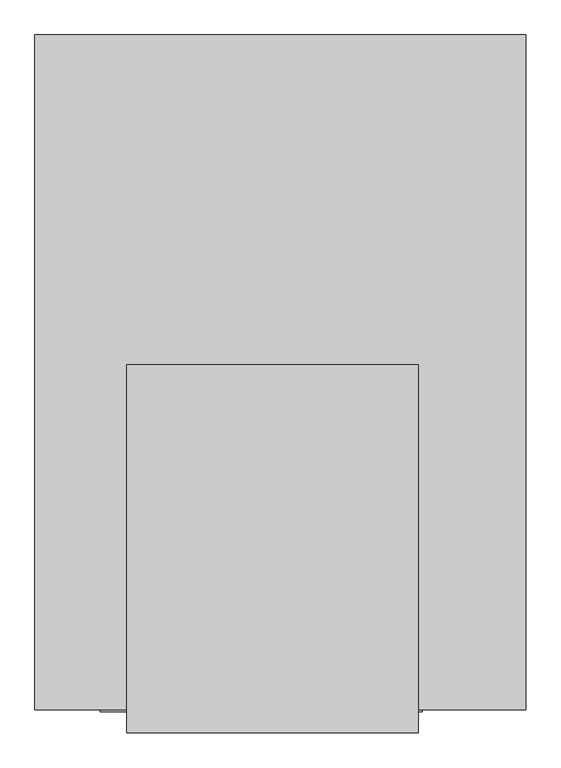
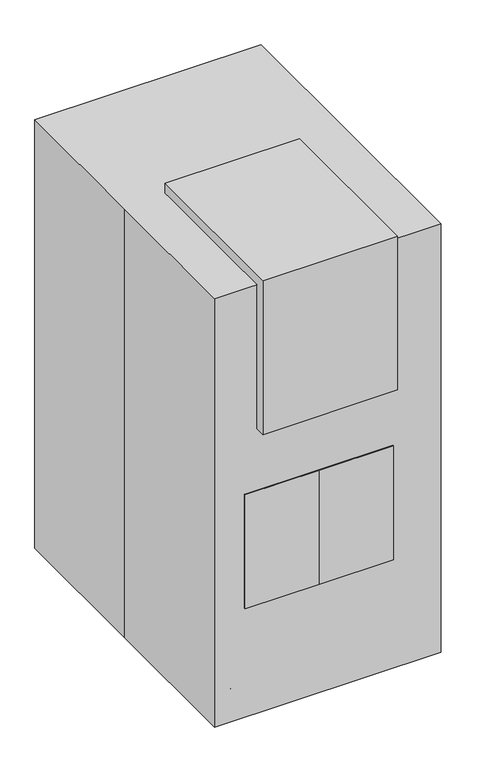
"""IFC4 building model written with IfcOpenShell, lengths in millimetres: proxy geometry."""

import ifcopenshell
import ifcopenshell.guid

model = None  # the IFC model being written
_history = None  # IfcOwnerHistory: only IFC2X3 demands one
_inside = {}  # id of a spatial element -> (the spatial element, [elements in it])
_under = {}  # id of a project, library or spatial element -> (it, [spatial elements below it])
_declared = {}  # id of a project -> (the project, [libraries it declares])
_typed = {}  # id of a type object -> (the type object, [elements of that type])
_made_of = {}  # id of a material, layer set ... -> (it, [elements and type objects made of it])


def new_model(schema):
    """Start an empty IFC model of exactly this schema.

    Asked for "IFC4X3", IfcOpenShell would pick the latest addendum, in which some entities
    have other attributes; the version numbers below select the first issue.
    IFC2X3 requires an IfcOwnerHistory on every rooted entity: one is made here for all.
    """
    global model, _history
    if schema == "IFC4X3":
        model = ifcopenshell.file(schema_version=(4, 3, 0, 0))
    else:
        model = ifcopenshell.file(schema=schema)
    _inside.clear()
    _under.clear()
    _declared.clear()
    _typed.clear()
    _made_of.clear()
    _history = None
    if model.schema == "IFC2X3":
        org = make("IfcOrganization", Name="unknown")
        user = make(
            "IfcPersonAndOrganization",
            ThePerson=make("IfcPerson", FamilyName="unknown"),
            TheOrganization=org,
        )
        app = make(
            "IfcApplication",
            ApplicationDeveloper=org,
            Version="unknown",
            ApplicationFullName="unknown",
            ApplicationIdentifier="unknown",
        )
        _history = make(
            "IfcOwnerHistory",
            OwningUser=user,
            OwningApplication=app,
            ChangeAction="ADDED",
            CreationDate=0,
        )
    return model


def make(cls, **values):
    """One entity of the class cls with the attributes given. An attribute that is None is left unset."""
    return model.create_entity(
        cls, **{name: value for name, value in values.items() if value is not None}
    )


def rooted(cls, **values):
    """An entity with a GlobalId (a new one), such as an element, a storey or a relation."""
    return make(cls, GlobalId=ifcopenshell.guid.new(), OwnerHistory=_history, **values)


def si_unit(unit_type, name, prefix=None):
    """IfcSIUnit, for example si_unit("LENGTHUNIT", "METRE", prefix="MILLI")."""
    return make("IfcSIUnit", UnitType=unit_type, Prefix=prefix, Name=name)


def assignment(units):
    """IfcUnitAssignment: the units of a project."""
    return None if units is None else make("IfcUnitAssignment", Units=units)


def point(xyz):
    """IfcCartesianPoint."""
    return None if xyz is None else make("IfcCartesianPoint", Coordinates=xyz)


def direction(xyz):
    """IfcDirection."""
    return None if xyz is None else make("IfcDirection", DirectionRatios=xyz)


def frame(location, z_axis=None, x_axis=None):
    """IfcAxis2Placement3D, a coordinate frame: its origin and axes. An axis left out is left unset."""
    return make(
        "IfcAxis2Placement3D",
        Location=point(location),
        Axis=direction(z_axis),
        RefDirection=direction(x_axis),
    )


def frame_2d(location, x_axis=None):
    """IfcAxis2Placement2D, a coordinate frame in the plane: its origin and x axis."""
    return make(
        "IfcAxis2Placement2D", Location=point(location), RefDirection=direction(x_axis)
    )


def origin():
    """The frame at (0, 0, 0) with its axes left unset."""
    return frame((0.0, 0.0, 0.0))


def origin_with_axes():
    """The frame at (0, 0, 0) with the z axis (0, 0, 1) and the x axis (1, 0, 0) written out."""
    return frame((0.0, 0.0, 0.0), z_axis=(0.0, 0.0, 1.0), x_axis=(1.0, 0.0, 0.0))


def place(relative_to, where):
    """IfcLocalPlacement: puts the frame where relative to a parent placement (None: the world)."""
    return make(
        "IfcLocalPlacement", PlacementRelTo=relative_to, RelativePlacement=where
    )


def context(
    kind, dimensions, precision=None, world=None, true_north=None, identifier=None
):
    """IfcGeometricRepresentationContext, for example the 3D "Model" context."""
    return make(
        "IfcGeometricRepresentationContext",
        ContextIdentifier=identifier,
        ContextType=kind,
        CoordinateSpaceDimension=dimensions,
        Precision=precision,
        WorldCoordinateSystem=world,
        TrueNorth=true_north,
    )


def project(units=None, contexts=None):
    """IfcProject with its units and contexts."""
    return rooted(
        "IfcProject",
        Name="project",
        RepresentationContexts=contexts,
        UnitsInContext=assignment(units),
    )


def spatial(cls, under=None, at=None, **own):
    """A site, building, storey or space (cls), placed at a placement, below another one or the project."""
    s = rooted(cls, ObjectPlacement=at, **own)
    if under is not None:
        _under.setdefault(under.id(), (under, []))[1].append(s)
    return s


def polyline(points):
    """IfcPolyline through the points."""
    return make("IfcPolyline", Points=[point(p) for p in points])


def circle_curve(where, radius):
    """IfcCircle in the frame where."""
    return make("IfcCircle", Position=where, Radius=radius)


def trimmed(basis, trim1, trim2, sense, master):
    """IfcTrimmedCurve: the piece of a basis curve between two trims."""
    return make(
        "IfcTrimmedCurve",
        BasisCurve=basis,
        Trim1=trim1,
        Trim2=trim2,
        SenseAgreement=sense,
        MasterRepresentation=master,
    )


def segment(curve, same_sense, transition):
    """IfcCompositeCurveSegment."""
    return make(
        "IfcCompositeCurveSegment",
        Transition=transition,
        SameSense=same_sense,
        ParentCurve=curve,
    )


def composite_curve(segments, self_intersect=None):
    """IfcCompositeCurve: segments joined end to end."""
    return make("IfcCompositeCurve", Segments=segments, SelfIntersect=self_intersect)


def outline(outer, holes=None, kind="AREA"):
    """IfcArbitraryClosedProfileDef: a profile drawn as a closed curve; with holes, ...WithVoids."""
    if holes is None:
        return make("IfcArbitraryClosedProfileDef", ProfileType=kind, OuterCurve=outer)
    return make(
        "IfcArbitraryProfileDefWithVoids",
        ProfileType=kind,
        OuterCurve=outer,
        InnerCurves=holes,
    )


def extrude(swept, where, along, depth):
    """IfcExtrudedAreaSolid: the profile swept, set in the frame where, extruded along a direction by depth."""
    return make(
        "IfcExtrudedAreaSolid",
        SweptArea=swept,
        Position=where,
        ExtrudedDirection=direction(along),
        Depth=depth,
    )


def faces_of(points, faces, orient=None, outer=None):
    """IfcFace entities. A face is a list of loops; a loop is a list of indices into points, from 0.

    orient and outer hold one flag for each loop. By default every Orientation is true, the
    first loop of a face is its IfcFaceOuterBound and the others are IfcFaceBound.
    """
    made = []
    for i, loops in enumerate(faces):
        bounds = []
        for j, loop in enumerate(loops):
            is_outer = j == 0 if outer is None else outer[i][j]
            bounds.append(
                make(
                    "IfcFaceOuterBound" if is_outer else "IfcFaceBound",
                    Bound=make("IfcPolyLoop", Polygon=[points[k] for k in loop]),
                    Orientation=True if orient is None else orient[i][j],
                )
            )
        made.append(make("IfcFace", Bounds=bounds))
    return made


def faceted_brep(points, faces, orient=None, outer=None, voids=None):
    """IfcFacetedBrep: a solid bounded by flat faces; with voids (closed shells), ...WithVoids."""
    shared = [point(p) for p in points]
    hull = make("IfcClosedShell", CfsFaces=faces_of(shared, faces, orient, outer))
    if voids is None:
        return make("IfcFacetedBrep", Outer=hull)
    return make(
        "IfcFacetedBrepWithVoids",
        Outer=hull,
        Voids=[
            make(cls, CfsFaces=faces_of(shared, fs, o, b)) for cls, fs, o, b in voids
        ],
    )


def shape(context_of_items, identifier, shape_type, items):
    """IfcShapeRepresentation: the items that make up one representation, for example the "Body"."""
    return make(
        "IfcShapeRepresentation",
        ContextOfItems=context_of_items,
        RepresentationIdentifier=identifier,
        RepresentationType=shape_type,
        Items=items,
    )


def source(mapping_origin, context_of_items, identifier, shape_type, items):
    """IfcRepresentationMap: a shape defined once, which mapped items show again and again."""
    return make(
        "IfcRepresentationMap",
        MappingOrigin=mapping_origin,
        MappedRepresentation=shape(context_of_items, identifier, shape_type, items),
    )


def transform(
    local_origin,
    x_axis=None,
    y_axis=None,
    z_axis=None,
    scale=None,
    scale2=None,
    scale3=None,
    uniform=True,
):
    """IfcCartesianTransformationOperator3D, or its non-uniform kind. x_axis, y_axis, z_axis: its Axis1, 2, 3."""
    if uniform:
        return make(
            "IfcCartesianTransformationOperator3D",
            Axis1=direction(x_axis),
            Axis2=direction(y_axis),
            LocalOrigin=point(local_origin),
            Scale=scale,
            Axis3=direction(z_axis),
        )
    return make(
        "IfcCartesianTransformationOperator3DnonUniform",
        Axis1=direction(x_axis),
        Axis2=direction(y_axis),
        LocalOrigin=point(local_origin),
        Scale=scale,
        Axis3=direction(z_axis),
        Scale2=scale2,
        Scale3=scale3,
    )


def mapped(mapping_source, mapping_target):
    """IfcMappedItem: shows the shape of a source again, moved by a transform."""
    return make(
        "IfcMappedItem", MappingSource=mapping_source, MappingTarget=mapping_target
    )


def made_of(thing, what):
    """Note that an element or type object is made of a material, layer set ...; save() writes the relation."""
    if what is not None:
        _made_of.setdefault(what.id(), (what, []))[1].append(thing)
    return thing


def element(
    cls,
    number,
    at=None,
    inside=None,
    cuts=None,
    type_object=None,
    material=None,
    context=None,
    identifier="Body",
    shape_type=None,
    held_by="IfcProductDefinitionShape",
    body=None,
    shapes=None,
    **own,
):
    """One element of the class cls, such as IfcWall. Its Tag is "e" and its number.

    at: its placement. inside: the storey or other place that contains it. cuts: it is an
    opening in that element (IfcRelVoidsElement). A single representation is given by context,
    identifier, shape_type and body (its items); several are given by shapes. held_by: the class
    of the entity that holds the representations. save() writes the other relations.
    """
    e = rooted(cls, Tag="e%d" % number, ObjectPlacement=at, **own)
    if body is not None:
        shapes = [shape(context, identifier, shape_type, body)]
    if shapes is not None:
        e.Representation = make(held_by, Representations=shapes)
    if inside is not None:
        _inside.setdefault(inside.id(), (inside, []))[1].append(e)
    if cuts is not None:
        rooted(
            "IfcRelVoidsElement", RelatingBuildingElement=cuts, RelatedOpeningElement=e
        )
    if type_object is not None:
        _typed.setdefault(type_object.id(), (type_object, []))[1].append(e)
    return made_of(e, material)


def aggregate(whole, parts):
    """IfcRelAggregates: a whole, such as a stair, and the parts it consists of."""
    return rooted("IfcRelAggregates", RelatingObject=whole, RelatedObjects=parts)


def save(model, path):
    """Write the relations noted so far, then the file.

    IfcRelAggregates (storeys below a building ...), IfcRelContainedInSpatialStructure (elements
    in a storey), IfcRelDefinesByType, IfcRelAssociatesMaterial and IfcRelDeclares: one each for
    every whole, place, type object, material and project.
    """
    for whole, parts in _under.values():
        aggregate(whole, parts)
    for where, things in _inside.values():
        rooted(
            "IfcRelContainedInSpatialStructure",
            RelatedElements=things,
            RelatingStructure=where,
        )
    for kind, things in _typed.values():
        rooted("IfcRelDefinesByType", RelatedObjects=things, RelatingType=kind)
    for what, things in _made_of.values():
        rooted("IfcRelAssociatesMaterial", RelatedObjects=things, RelatingMaterial=what)
    for by, libraries in _declared.values():
        rooted("IfcRelDeclares", RelatingContext=by, RelatedDefinitions=libraries)
    model.write(path)


def specialty_equipment_a1d769d3(model_context):
    return source(origin(), model_context, "Body", "SolidModel", [
        faceted_brep([(222.25, -92.075, 768.5274151), (-208.9546875, -92.075, 768.5274151), (-208.9546875, -307.975, 768.5274151), (222.25, -307.975, 768.5274151), (222.25, -523.875, 412.9274151), (-208.9546875, -523.875, 412.9274151), (-208.9546875, -92.075, 412.9274151), (222.25, -92.075, 412.9274151), (222.25, -307.975, 735.7348675), (222.25, -523.875, 735.7348675), (222.25, -523.875, 590.7274151), (222.25, -307.975, 590.7274151), (222.25, -307.975, 495.1924677), (222.25, -523.875, 533.6276131), (-208.9546875, -523.875, 533.6276131), (163.7431114, -523.875, 735.7348675), (163.7431114, -523.875, 666.9274151), (-161.3296875, -523.875, 666.9274151), (-161.3296875, -523.875, 735.7348675), (-208.9546875, -523.875, 735.7348675), (-208.9546875, -523.875, 666.9274151), (-285.75, -523.875, 666.9274151), (-285.75, -523.875, 590.7274151), (-285.75, -92.075, 666.9274151), (-285.75, -92.075, 590.7274151), (-208.9546875, -92.075, 590.7274151), (-208.9546875, -92.075, 666.9274151), (163.7431114, -307.975, 735.7348675), (-161.3296875, -307.975, 735.7348675), (-208.9546875, -307.975, 735.7348675), (-161.3296875, -307.975, 666.9274151), (163.7431114, -307.975, 666.9274151), (-208.9546875, -307.975, 590.7274151), (-208.9546875, -307.975, 495.1924677)], [[[0, 1, 2, 3]], [[4, 5, 6, 7]], [[7, 0, 3, 8, 9, 10, 11, 12, 13, 4]], [[13, 14, 5, 4]], [[15, 16, 17, 18, 19, 20, 21, 22, 10, 9]], [[23, 24, 22, 21]], [[7, 6, 25, 24, 23, 26, 1, 0]], [[8, 27, 15, 9]], [[28, 29, 19, 18]], [[3, 2, 29, 28, 30, 31, 27, 8]], [[30, 28, 18, 17]], [[30, 17, 16, 31]], [[16, 15, 27, 31]], [[26, 23, 21, 20]], [[20, 19, 29, 2, 1, 26]], [[10, 22, 24, 25, 32, 11]], [[12, 33, 14, 13]], [[11, 32, 33, 12]], [[25, 6, 5, 14, 33, 32]]]),
        extrude(outline(polyline([(234.95, -561.975), (-31.75, -561.975), (-298.45, -561.975), (-298.45, -53.975), (234.95, -53.975), (234.95, -561.975)])), frame((0.0, 0.0, 412.9274151), z_axis=(0.0, 0.0, 1.0), x_axis=(1.0, 0.0, 0.0)), (0.0, 0.0, 1.0), 431.8),
        faceted_brep([(-145.9656905, -533.4, 1511.3), (-95.3343095, -533.4, 1511.3), (-95.3343095, -50.8, 1511.3), (-145.9656905, -50.8, 1511.3), (-145.9656905, -533.4, 1231.9), (-145.9656905, -50.8, 1231.9), (-95.3343095, -50.8, 1231.9), (-95.3343095, -533.4, 1231.9), (-95.3343095, -63.5, 1498.6), (-95.3343095, -63.5, 1244.6), (-95.3343095, -520.7, 1244.6), (-95.3343095, -520.7, 1498.6), (-100.1205119, -520.7, 1498.6), (-100.1205119, -63.5, 1498.6), (-100.1205119, -520.7, 1244.6), (-100.1205119, -63.5, 1244.6)], [[[0, 1, 2, 3]], [[4, 5, 6, 7]], [[3, 5, 4, 0]], [[2, 6, 5, 3]], [[1, 7, 6, 2], [8, 9, 10, 11]], [[0, 4, 7, 1]], [[12, 13, 8, 11]], [[14, 10, 9, 15]], [[12, 14, 15, 13]], [[13, 15, 9, 8]], [[11, 10, 14, 12]]]),
        extrude(outline(polyline([(1092.2, 203.2), (1104.9, 50.8), (1079.5, 50.8), (1079.5, 203.2), (1092.2, 203.2)])), frame((0.0, -533.4, 0.0), z_axis=(0.0, 1.0, 0.0), x_axis=(0.0, 0.0, 1.0)), (0.0, 0.0, 1.0), 482.6),
        faceted_brep([(-12.7, -439.3218395, 1104.9), (-228.6, -439.3218395, 1104.9), (-228.6, -439.3218395, 1079.5), (-12.7, -439.3218395, 1079.5), (-228.6, -144.8781605, 1104.9), (-12.7, -144.8781605, 1104.9), (-12.7, -144.8781605, 1079.5), (-228.6, -144.8781605, 1079.5), (-209.4656905, -329.0685686, 1111.25), (-209.4656905, -255.1314314, 1111.25), (-209.4656905, -255.1314314, 1104.9), (-209.4656905, -329.0685686, 1104.9), (-209.4656905, -329.0685686, 1371.6), (-209.4656905, -255.1314314, 1371.6), (-145.9656905, -329.0685686, 1371.6), (-145.9656905, -255.1314314, 1371.6), (-145.9656905, -329.0685686, 1320.8), (-145.9656905, -255.1314314, 1320.8), (-184.0656905, -329.0685686, 1320.8), (-184.0656905, -255.1314314, 1320.8), (-184.0656905, -329.0685686, 1104.9), (-184.0656905, -255.1314314, 1104.9)], [[[0, 1, 2, 3]], [[4, 5, 6, 7]], [[8, 9, 10, 11]], [[12, 13, 9, 8]], [[14, 15, 13, 12]], [[16, 17, 15, 14]], [[18, 19, 17, 16]], [[20, 21, 19, 18]], [[0, 5, 4, 1], [11, 10, 21, 20]], [[3, 6, 5, 0]], [[2, 7, 6, 3]], [[1, 4, 7, 2]], [[20, 18, 16, 14, 12, 8, 11]], [[10, 9, 13, 15, 17, 19, 21]]]),
        extrude(outline(polyline([(-254.0, -596.9), (-254.0, 12.7), (228.6, 12.7), (228.6, -596.9), (-254.0, -596.9)])), frame((0.0, 0.0, 1079.5), z_axis=(0.0, 0.0, 1.0), x_axis=(1.0, 0.0, 0.0)), (0.0, 0.0, 1.0), 584.2),
        extrude(outline(composite_curve([segment(polyline([(119.1380154, 235.2310593), (119.1380154, 381.2810593), (123.8052853, 381.2810593), (123.8052853, 235.359733)]), True, "CONTINUOUS"), segment(trimmed(circle_curve(frame_2d((11.7763715, 229.2430177)), 112.1957741), [point((123.8052853, 235.359733))], [point((77.7346619, 138.4829182))], False, "CARTESIAN"), True, "CONTINUOUS"), segment(polyline([(77.7346619, 138.4829182), (-77.7346619, 138.4829182)]), True, "CONTINUOUS"), segment(trimmed(circle_curve(frame_2d((-11.7763715, 229.2430177)), 112.1957741), [point((-77.7346619, 138.4829182))], [point((-123.8052853, 235.359733))], False, "CARTESIAN"), True, "CONTINUOUS"), segment(polyline([(-123.8052853, 235.359733), (-123.8052853, 381.2810593), (-119.1380154, 381.2810593), (-119.1380154, 235.2310593)]), True, "CONTINUOUS"), segment(trimmed(circle_curve(frame_2d((-11.7763715, 229.2430177)), 107.5285042), [point((-119.1380154, 235.2310593))], [point((-76.2, 143.1501881))], True, "CARTESIAN"), True, "CONTINUOUS"), segment(polyline([(-76.2, 143.1501881), (76.2, 143.1501881)]), True, "CONTINUOUS"), segment(trimmed(circle_curve(frame_2d((11.7763715, 229.2430177)), 107.5285042), [point((76.2, 143.1501881))], [point((119.1380154, 235.2310593))], True, "CARTESIAN"), True, "CONTINUOUS")], self_intersect=False)), frame((0.0, 0.0, 1016.0), z_axis=(0.0, 0.0, 1.0), x_axis=(1.0, 0.0, 0.0)), (0.0, 0.0, 1.0), 19.05),
        extrude(outline(polyline([(0.0, 271.5253368), (238.2760308, 271.5253368), (238.2760308, 0.0), (0.0, 0.0), (0.0, 271.5253368)])), frame((119.1380154, 525.6105842, 1054.6277039), z_axis=(0.0, -0.3583679495452942, 0.9335804264972041), x_axis=(-1.0, 0.0, 0.0)), (0.0, 0.0, 1.0), 50.8),
        extrude(outline(polyline([(50.8, 36.8829182), (-50.8, 36.8829182), (-50.8, 138.4829182), (50.8, 138.4829182), (50.8, 36.8829182)])), frame((0.0, 0.0, 1004.2876576), z_axis=(0.0, 0.0, 1.0), x_axis=(1.0, 0.0, 0.0)), (0.0, 0.0, 1.0), 50.8),
        extrude(outline(polyline([(203.2, -547.3170818), (-209.55, -547.3170818), (-209.55, -39.3170818), (203.2, -39.3170818), (203.2, -547.3170818)])), frame((0.0, 0.0, 374.65), z_axis=(0.0, 0.0, 1.0), x_axis=(1.0, 0.0, 0.0)), (0.0, 0.0, 1.0), 38.1),
        extrude(outline(polyline([(-39.3170818, 1041.4), (-39.3170818, 812.8), (-191.7170818, 812.8), (-521.9170818, 1016.0), (-521.9170818, 1041.4), (-39.3170818, 1041.4)])), frame((190.5, 0.0, 0.0), z_axis=(1.0, 0.0, 0.0), x_axis=(0.0, 1.0, 0.0)), (0.0, 0.0, 1.0), 38.1),
        extrude(outline(polyline([(-39.3170818, 1041.4), (-39.3170818, 812.8), (-191.7170818, 812.8), (-521.9170818, 1016.0), (-521.9170818, 1041.4), (-39.3170818, 1041.4)])), frame((-228.6, 0.0, 0.0), z_axis=(1.0, 0.0, 0.0), x_axis=(0.0, 1.0, 0.0)), (0.0, 0.0, 1.0), 38.1),
        extrude(outline(polyline([(247.65, -547.3170818), (-253.5329849, -547.3170818), (-253.5329849, -39.3170818), (247.65, -39.3170818), (247.65, -547.3170818)])), frame((0.0, 0.0, 1041.4), z_axis=(0.0, 0.0, 1.0), x_axis=(1.0, 0.0, 0.0)), (0.0, 0.0, 1.0), 38.1),
        extrude(outline(polyline([(-209.55, -39.3170818), (-209.55, -83.7670818), (-304.8, -83.7670818), (-304.8, 83.7670818), (-209.55, 83.7670818), (-209.55, 36.8829182), (-254.0, 36.8829182), (-254.0, -1.2170818), (-254.0, -39.3170818), (-209.55, -39.3170818)])), frame((0.0, 0.0, 266.7), z_axis=(0.0, 0.0, 1.0), x_axis=(1.0, 0.0, 0.0)), (0.0, 0.0, 1.0), 342.9),
        extrude(outline(polyline([(203.2, -39.3170818), (247.65, -39.3170818), (247.65, -1.2170818), (247.65, 36.8829182), (203.2, 36.8829182), (203.2, 83.7670818), (298.45, 83.7670818), (298.45, -83.7670818), (203.2, -83.7670818), (203.2, -39.3170818)])), frame((0.0, 0.0, 266.7), z_axis=(0.0, 0.0, 1.0), x_axis=(1.0, 0.0, 0.0)), (0.0, 0.0, 1.0), 342.9),
        extrude(outline(polyline([(247.65, -39.3170818), (-253.5329849, -39.3170818), (-253.5329849, 36.8829182), (247.65, 36.8829182), (247.65, -39.3170818)])), frame((0.0, 0.0, 266.7), z_axis=(0.0, 0.0, 1.0), x_axis=(1.0, 0.0, 0.0)), (0.0, 0.0, 1.0), 1248.8024583),
        extrude(outline(polyline([(349.25, -121.8929078), (-355.1329849, -121.8929078), (-355.1329849, 133.5826903), (349.25, 133.5826903), (349.25, -121.8929078)])), frame((0.0, 0.0, 165.1), z_axis=(0.0, 0.0, 1.0), x_axis=(1.0, 0.0, 0.0)), (0.0, 0.0, 1.0), 101.6),
        extrude(outline(composite_curve([segment(trimmed(circle_curve(frame_2d((-306.4724956, 409.1524744)), 16.9333333), [point((-323.405829, 409.1524744))], [point((-289.5391623, 409.1524744))], False, "CARTESIAN"), True, "CONTINUOUS"), segment(trimmed(circle_curve(frame_2d((-306.4724956, 409.1524744)), 16.9333333), [point((-289.5391623, 409.1524744))], [point((-323.405829, 409.1524744))], False, "CARTESIAN"), True, "CONTINUOUS")], self_intersect=False)), frame((0.0, 0.0, 84.8149176), z_axis=(0.0, 0.0, 1.0), x_axis=(1.0, 0.0, 0.0)), (0.0, 0.0, 1.0), 42.1850824),
        extrude(outline(composite_curve([segment(trimmed(circle_curve(frame_2d((297.8141923, 409.1524744)), 16.9333333), [point((314.7475256, 409.1524744))], [point((280.880859, 409.1524744))], False, "CARTESIAN"), True, "CONTINUOUS"), segment(trimmed(circle_curve(frame_2d((297.8141923, 409.1524744)), 16.9333333), [point((280.880859, 409.1524744))], [point((314.7475256, 409.1524744))], False, "CARTESIAN"), True, "CONTINUOUS")], self_intersect=False)), frame((0.0, 0.0, 84.8149176), z_axis=(0.0, 0.0, 1.0), x_axis=(1.0, 0.0, 0.0)), (0.0, 0.0, 1.0), 42.1850824),
        extrude(outline(composite_curve([segment(trimmed(circle_curve(frame_2d((392.219141, 50.8)), 50.8), [point((443.019141, 50.8))], [point((341.419141, 50.8))], False, "CARTESIAN"), True, "CONTINUOUS"), segment(trimmed(circle_curve(frame_2d((392.219141, 50.8)), 50.8), [point((341.419141, 50.8))], [point((443.019141, 50.8))], False, "CARTESIAN"), True, "CONTINUOUS")], self_intersect=False)), frame((261.830859, 0.0, 0.0), z_axis=(1.0, 0.0, 0.0), x_axis=(0.0, 1.0, 0.0)), (0.0, 0.0, 1.0), 19.05),
        extrude(outline(composite_curve([segment(trimmed(circle_curve(frame_2d((392.219141, 50.8)), 50.8), [point((443.019141, 50.8))], [point((341.419141, 50.8))], False, "CARTESIAN"), True, "CONTINUOUS"), segment(trimmed(circle_curve(frame_2d((392.219141, 50.8)), 50.8), [point((341.419141, 50.8))], [point((443.019141, 50.8))], False, "CARTESIAN"), True, "CONTINUOUS")], self_intersect=False)), frame((318.980859, 0.0, 0.0), z_axis=(1.0, 0.0, 0.0), x_axis=(0.0, 1.0, 0.0)), (0.0, 0.0, 1.0), 19.05),
        extrude(outline(composite_curve([segment(trimmed(circle_curve(frame_2d((392.219141, 50.8)), 33.8666667), [point((358.3524744, 50.8))], [point((426.0858077, 50.8))], False, "CARTESIAN"), True, "CONTINUOUS"), segment(trimmed(circle_curve(frame_2d((392.219141, 50.8)), 33.8666667), [point((426.0858077, 50.8))], [point((358.3524744, 50.8))], False, "CARTESIAN"), True, "CONTINUOUS")], self_intersect=False)), frame((280.880859, 0.0, 0.0), z_axis=(1.0, 0.0, 0.0), x_axis=(0.0, 1.0, 0.0)), (0.0, 0.0, 1.0), 38.1),
        extrude(outline(composite_curve([segment(trimmed(circle_curve(frame_2d((392.219141, 50.8)), 50.8), [point((443.019141, 50.8))], [point((341.419141, 50.8))], False, "CARTESIAN"), True, "CONTINUOUS"), segment(trimmed(circle_curve(frame_2d((392.219141, 50.8)), 50.8), [point((341.419141, 50.8))], [point((443.019141, 50.8))], False, "CARTESIAN"), True, "CONTINUOUS")], self_intersect=False)), frame((-287.230859, 0.0, 0.0), z_axis=(1.0, 0.0, 0.0), x_axis=(0.0, 1.0, 0.0)), (0.0, 0.0, 1.0), 19.05),
        extrude(outline(composite_curve([segment(trimmed(circle_curve(frame_2d((392.219141, 50.8)), 50.8), [point((443.019141, 50.8))], [point((341.419141, 50.8))], False, "CARTESIAN"), True, "CONTINUOUS"), segment(trimmed(circle_curve(frame_2d((392.219141, 50.8)), 50.8), [point((341.419141, 50.8))], [point((443.019141, 50.8))], False, "CARTESIAN"), True, "CONTINUOUS")], self_intersect=False)), frame((-344.380859, 0.0, 0.0), z_axis=(1.0, 0.0, 0.0), x_axis=(0.0, 1.0, 0.0)), (0.0, 0.0, 1.0), 19.05),
        extrude(outline(composite_curve([segment(trimmed(circle_curve(frame_2d((392.219141, 50.8)), 33.8666667), [point((358.3524744, 50.8))], [point((426.0858077, 50.8))], False, "CARTESIAN"), True, "CONTINUOUS"), segment(trimmed(circle_curve(frame_2d((392.219141, 50.8)), 33.8666667), [point((426.0858077, 50.8))], [point((358.3524744, 50.8))], False, "CARTESIAN"), True, "CONTINUOUS")], self_intersect=False)), frame((-325.330859, 0.0, 0.0), z_axis=(1.0, 0.0, 0.0), x_axis=(0.0, 1.0, 0.0)), (0.0, 0.0, 1.0), 38.1),
        extrude(outline(polyline([(-253.5329849, -438.15), (-355.1329849, -438.15), (-355.1329849, 457.2), (-253.5329849, 457.2), (-253.5329849, -438.15)])), frame((0.0, 0.0, 127.0), z_axis=(0.0, 0.0, 1.0), x_axis=(1.0, 0.0, 0.0)), (0.0, 0.0, 1.0), 38.1),
        extrude(outline(polyline([(349.25, -438.15), (247.65, -438.15), (247.65, 457.2), (349.25, 457.2), (349.25, -438.15)])), frame((0.0, 0.0, 127.0), z_axis=(0.0, 0.0, 1.0), x_axis=(1.0, 0.0, 0.0)), (0.0, 0.0, 1.0), 38.1),
        extrude(outline(composite_curve([segment(trimmed(circle_curve(frame_2d((-306.4724956, -371.8975256)), 16.9333333), [point((-323.405829, -371.8975256))], [point((-289.5391623, -371.8975256))], False, "CARTESIAN"), True, "CONTINUOUS"), segment(trimmed(circle_curve(frame_2d((-306.4724956, -371.8975256)), 16.9333333), [point((-289.5391623, -371.8975256))], [point((-323.405829, -371.8975256))], False, "CARTESIAN"), True, "CONTINUOUS")], self_intersect=False)), frame((0.0, 0.0, 84.8149176), z_axis=(0.0, 0.0, 1.0), x_axis=(1.0, 0.0, 0.0)), (0.0, 0.0, 1.0), 42.1850824),
        extrude(outline(composite_curve([segment(trimmed(circle_curve(frame_2d((297.8141923, -371.8975256)), 16.9333333), [point((314.7475256, -371.8975256))], [point((280.880859, -371.8975256))], False, "CARTESIAN"), True, "CONTINUOUS"), segment(trimmed(circle_curve(frame_2d((297.8141923, -371.8975256)), 16.9333333), [point((280.880859, -371.8975256))], [point((314.7475256, -371.8975256))], False, "CARTESIAN"), True, "CONTINUOUS")], self_intersect=False)), frame((0.0, 0.0, 84.8149176), z_axis=(0.0, 0.0, 1.0), x_axis=(1.0, 0.0, 0.0)), (0.0, 0.0, 1.0), 42.1850824),
        extrude(outline(composite_curve([segment(trimmed(circle_curve(frame_2d((-388.830859, 50.8)), 50.8), [point((-338.030859, 50.8))], [point((-439.630859, 50.8))], False, "CARTESIAN"), True, "CONTINUOUS"), segment(trimmed(circle_curve(frame_2d((-388.830859, 50.8)), 50.8), [point((-439.630859, 50.8))], [point((-338.030859, 50.8))], False, "CARTESIAN"), True, "CONTINUOUS")], self_intersect=False)), frame((261.830859, 0.0, 0.0), z_axis=(1.0, 0.0, 0.0), x_axis=(0.0, 1.0, 0.0)), (0.0, 0.0, 1.0), 19.05),
        extrude(outline(composite_curve([segment(trimmed(circle_curve(frame_2d((-388.830859, 50.8)), 50.8), [point((-338.030859, 50.8))], [point((-439.630859, 50.8))], False, "CARTESIAN"), True, "CONTINUOUS"), segment(trimmed(circle_curve(frame_2d((-388.830859, 50.8)), 50.8), [point((-439.630859, 50.8))], [point((-338.030859, 50.8))], False, "CARTESIAN"), True, "CONTINUOUS")], self_intersect=False)), frame((318.980859, 0.0, 0.0), z_axis=(1.0, 0.0, 0.0), x_axis=(0.0, 1.0, 0.0)), (0.0, 0.0, 1.0), 19.05),
        extrude(outline(composite_curve([segment(trimmed(circle_curve(frame_2d((-388.830859, 50.8)), 33.8666667), [point((-422.6975256, 50.8))], [point((-354.9641923, 50.8))], False, "CARTESIAN"), True, "CONTINUOUS"), segment(trimmed(circle_curve(frame_2d((-388.830859, 50.8)), 33.8666667), [point((-354.9641923, 50.8))], [point((-422.6975256, 50.8))], False, "CARTESIAN"), True, "CONTINUOUS")], self_intersect=False)), frame((280.880859, 0.0, 0.0), z_axis=(1.0, 0.0, 0.0), x_axis=(0.0, 1.0, 0.0)), (0.0, 0.0, 1.0), 38.1),
        extrude(outline(composite_curve([segment(trimmed(circle_curve(frame_2d((-388.830859, 50.8)), 50.8), [point((-338.030859, 50.8))], [point((-439.630859, 50.8))], False, "CARTESIAN"), True, "CONTINUOUS"), segment(trimmed(circle_curve(frame_2d((-388.830859, 50.8)), 50.8), [point((-439.630859, 50.8))], [point((-338.030859, 50.8))], False, "CARTESIAN"), True, "CONTINUOUS")], self_intersect=False)), frame((-287.230859, 0.0, 0.0), z_axis=(1.0, 0.0, 0.0), x_axis=(0.0, 1.0, 0.0)), (0.0, 0.0, 1.0), 19.05),
        extrude(outline(composite_curve([segment(trimmed(circle_curve(frame_2d((-388.830859, 50.8)), 50.8), [point((-338.030859, 50.8))], [point((-439.630859, 50.8))], False, "CARTESIAN"), True, "CONTINUOUS"), segment(trimmed(circle_curve(frame_2d((-388.830859, 50.8)), 50.8), [point((-439.630859, 50.8))], [point((-338.030859, 50.8))], False, "CARTESIAN"), True, "CONTINUOUS")], self_intersect=False)), frame((-344.380859, 0.0, 0.0), z_axis=(1.0, 0.0, 0.0), x_axis=(0.0, 1.0, 0.0)), (0.0, 0.0, 1.0), 19.05),
        extrude(outline(composite_curve([segment(trimmed(circle_curve(frame_2d((-388.830859, 50.8)), 33.8666667), [point((-422.6975256, 50.8))], [point((-354.9641923, 50.8))], False, "CARTESIAN"), True, "CONTINUOUS"), segment(trimmed(circle_curve(frame_2d((-388.830859, 50.8)), 33.8666667), [point((-354.9641923, 50.8))], [point((-422.6975256, 50.8))], False, "CARTESIAN"), True, "CONTINUOUS")], self_intersect=False)), frame((-325.330859, 0.0, 0.0), z_axis=(1.0, 0.0, 0.0), x_axis=(0.0, 1.0, 0.0)), (0.0, 0.0, 1.0), 38.1),
        extrude(outline(polyline([(-406.4, -558.8), (-406.4, 0.0), (-406.4, 558.8), (406.4, 558.8), (406.4, -558.8), (-406.4, -558.8)])), origin_with_axes(), (0.0, 0.0, 1.0), 1625.6),
    ])


if __name__ == "__main__":
    model = new_model("IFC4")
    model_context = context("Model", 3, world=origin())
    ifc_project = project(units=[si_unit("LENGTHUNIT", "METRE", prefix="MILLI")], contexts=[model_context])
    site = spatial("IfcSite", under=ifc_project)
    building = spatial("IfcBuilding", under=site)
    placement = place(None, origin())
    specialty_equipment_shape = specialty_equipment_a1d769d3(model_context)
    element("IfcBuildingElementProxy", 1, Name="Specialty Equipment", at=placement, inside=building, context=model_context, shape_type="MappedRepresentation", body=[
        mapped(specialty_equipment_shape, transform((0.0, 0.0, 0.0), x_axis=(1.0, 0.0, 0.0), y_axis=(0.0, 1.0, 0.0), z_axis=(0.0, 0.0, 1.0))),
    ])
    save(model, "model.ifc")
